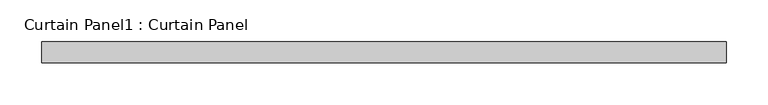
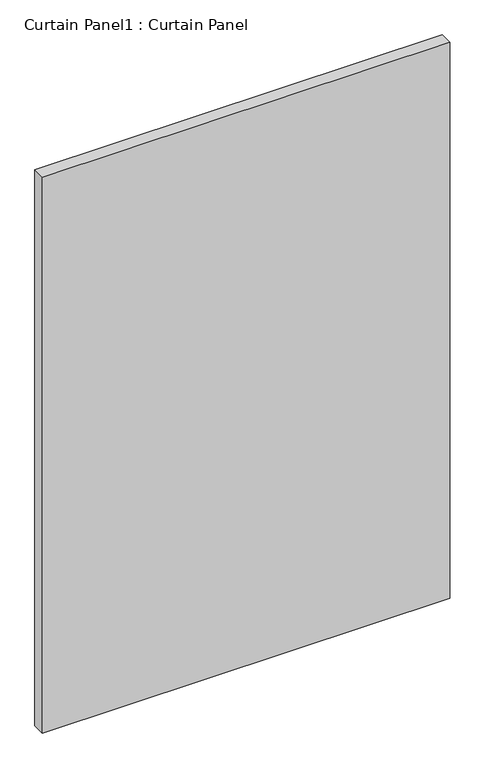
"""IFC4 building model written with IfcOpenShell, lengths in millimetres: plate geometry, Curtain Panel1 : Curtain Panel."""

import ifcopenshell
import ifcopenshell.guid

model = None  # the IFC model being written
_history = None  # IfcOwnerHistory: only IFC2X3 demands one
_inside = {}  # id of a spatial element -> (the spatial element, [elements in it])
_under = {}  # id of a project, library or spatial element -> (it, [spatial elements below it])
_declared = {}  # id of a project -> (the project, [libraries it declares])
_typed = {}  # id of a type object -> (the type object, [elements of that type])
_made_of = {}  # id of a material, layer set ... -> (it, [elements and type objects made of it])


def new_model(schema):
    """Start an empty IFC model of exactly this schema.

    Asked for "IFC4X3", IfcOpenShell would pick the latest addendum, in which some entities
    have other attributes; the version numbers below select the first issue.
    IFC2X3 requires an IfcOwnerHistory on every rooted entity: one is made here for all.
    """
    global model, _history
    if schema == "IFC4X3":
        model = ifcopenshell.file(schema_version=(4, 3, 0, 0))
    else:
        model = ifcopenshell.file(schema=schema)
    _inside.clear()
    _under.clear()
    _declared.clear()
    _typed.clear()
    _made_of.clear()
    _history = None
    if model.schema == "IFC2X3":
        org = make("IfcOrganization", Name="unknown")
        user = make(
            "IfcPersonAndOrganization",
            ThePerson=make("IfcPerson", FamilyName="unknown"),
            TheOrganization=org,
        )
        app = make(
            "IfcApplication",
            ApplicationDeveloper=org,
            Version="unknown",
            ApplicationFullName="unknown",
            ApplicationIdentifier="unknown",
        )
        _history = make(
            "IfcOwnerHistory",
            OwningUser=user,
            OwningApplication=app,
            ChangeAction="ADDED",
            CreationDate=0,
        )
    return model


def make(cls, **values):
    """One entity of the class cls with the attributes given. An attribute that is None is left unset."""
    return model.create_entity(
        cls, **{name: value for name, value in values.items() if value is not None}
    )


def rooted(cls, **values):
    """An entity with a GlobalId (a new one), such as an element, a storey or a relation."""
    return make(cls, GlobalId=ifcopenshell.guid.new(), OwnerHistory=_history, **values)


def si_unit(unit_type, name, prefix=None):
    """IfcSIUnit, for example si_unit("LENGTHUNIT", "METRE", prefix="MILLI")."""
    return make("IfcSIUnit", UnitType=unit_type, Prefix=prefix, Name=name)


def assignment(units):
    """IfcUnitAssignment: the units of a project."""
    return None if units is None else make("IfcUnitAssignment", Units=units)


def point(xyz):
    """IfcCartesianPoint."""
    return None if xyz is None else make("IfcCartesianPoint", Coordinates=xyz)


def direction(xyz):
    """IfcDirection."""
    return None if xyz is None else make("IfcDirection", DirectionRatios=xyz)


def frame(location, z_axis=None, x_axis=None):
    """IfcAxis2Placement3D, a coordinate frame: its origin and axes. An axis left out is left unset."""
    return make(
        "IfcAxis2Placement3D",
        Location=point(location),
        Axis=direction(z_axis),
        RefDirection=direction(x_axis),
    )


def origin():
    """The frame at (0, 0, 0) with its axes left unset."""
    return frame((0.0, 0.0, 0.0))


def place(relative_to, where):
    """IfcLocalPlacement: puts the frame where relative to a parent placement (None: the world)."""
    return make(
        "IfcLocalPlacement", PlacementRelTo=relative_to, RelativePlacement=where
    )


def context(
    kind, dimensions, precision=None, world=None, true_north=None, identifier=None
):
    """IfcGeometricRepresentationContext, for example the 3D "Model" context."""
    return make(
        "IfcGeometricRepresentationContext",
        ContextIdentifier=identifier,
        ContextType=kind,
        CoordinateSpaceDimension=dimensions,
        Precision=precision,
        WorldCoordinateSystem=world,
        TrueNorth=true_north,
    )


def project(units=None, contexts=None):
    """IfcProject with its units and contexts."""
    return rooted(
        "IfcProject",
        Name="project",
        RepresentationContexts=contexts,
        UnitsInContext=assignment(units),
    )


def spatial(cls, under=None, at=None, **own):
    """A site, building, storey or space (cls), placed at a placement, below another one or the project."""
    s = rooted(cls, ObjectPlacement=at, **own)
    if under is not None:
        _under.setdefault(under.id(), (under, []))[1].append(s)
    return s


def polyline(points):
    """IfcPolyline through the points."""
    return make("IfcPolyline", Points=[point(p) for p in points])


def outline(outer, holes=None, kind="AREA"):
    """IfcArbitraryClosedProfileDef: a profile drawn as a closed curve; with holes, ...WithVoids."""
    if holes is None:
        return make("IfcArbitraryClosedProfileDef", ProfileType=kind, OuterCurve=outer)
    return make(
        "IfcArbitraryProfileDefWithVoids",
        ProfileType=kind,
        OuterCurve=outer,
        InnerCurves=holes,
    )


def extrude(swept, where, along, depth):
    """IfcExtrudedAreaSolid: the profile swept, set in the frame where, extruded along a direction by depth."""
    return make(
        "IfcExtrudedAreaSolid",
        SweptArea=swept,
        Position=where,
        ExtrudedDirection=direction(along),
        Depth=depth,
    )


def shape(context_of_items, identifier, shape_type, items):
    """IfcShapeRepresentation: the items that make up one representation, for example the "Body"."""
    return make(
        "IfcShapeRepresentation",
        ContextOfItems=context_of_items,
        RepresentationIdentifier=identifier,
        RepresentationType=shape_type,
        Items=items,
    )


def source(mapping_origin, context_of_items, identifier, shape_type, items):
    """IfcRepresentationMap: a shape defined once, which mapped items show again and again."""
    return make(
        "IfcRepresentationMap",
        MappingOrigin=mapping_origin,
        MappedRepresentation=shape(context_of_items, identifier, shape_type, items),
    )


def transform(
    local_origin,
    x_axis=None,
    y_axis=None,
    z_axis=None,
    scale=None,
    scale2=None,
    scale3=None,
    uniform=True,
):
    """IfcCartesianTransformationOperator3D, or its non-uniform kind. x_axis, y_axis, z_axis: its Axis1, 2, 3."""
    if uniform:
        return make(
            "IfcCartesianTransformationOperator3D",
            Axis1=direction(x_axis),
            Axis2=direction(y_axis),
            LocalOrigin=point(local_origin),
            Scale=scale,
            Axis3=direction(z_axis),
        )
    return make(
        "IfcCartesianTransformationOperator3DnonUniform",
        Axis1=direction(x_axis),
        Axis2=direction(y_axis),
        LocalOrigin=point(local_origin),
        Scale=scale,
        Axis3=direction(z_axis),
        Scale2=scale2,
        Scale3=scale3,
    )


def mapped(mapping_source, mapping_target):
    """IfcMappedItem: shows the shape of a source again, moved by a transform."""
    return make(
        "IfcMappedItem", MappingSource=mapping_source, MappingTarget=mapping_target
    )


def made_of(thing, what):
    """Note that an element or type object is made of a material, layer set ...; save() writes the relation."""
    if what is not None:
        _made_of.setdefault(what.id(), (what, []))[1].append(thing)
    return thing


def element(
    cls,
    number,
    at=None,
    inside=None,
    cuts=None,
    type_object=None,
    material=None,
    context=None,
    identifier="Body",
    shape_type=None,
    held_by="IfcProductDefinitionShape",
    body=None,
    shapes=None,
    **own,
):
    """One element of the class cls, such as IfcWall. Its Tag is "e" and its number.

    at: its placement. inside: the storey or other place that contains it. cuts: it is an
    opening in that element (IfcRelVoidsElement). A single representation is given by context,
    identifier, shape_type and body (its items); several are given by shapes. held_by: the class
    of the entity that holds the representations. save() writes the other relations.
    """
    e = rooted(cls, Tag="e%d" % number, ObjectPlacement=at, **own)
    if body is not None:
        shapes = [shape(context, identifier, shape_type, body)]
    if shapes is not None:
        e.Representation = make(held_by, Representations=shapes)
    if inside is not None:
        _inside.setdefault(inside.id(), (inside, []))[1].append(e)
    if cuts is not None:
        rooted(
            "IfcRelVoidsElement", RelatingBuildingElement=cuts, RelatedOpeningElement=e
        )
    if type_object is not None:
        _typed.setdefault(type_object.id(), (type_object, []))[1].append(e)
    return made_of(e, material)


def aggregate(whole, parts):
    """IfcRelAggregates: a whole, such as a stair, and the parts it consists of."""
    return rooted("IfcRelAggregates", RelatingObject=whole, RelatedObjects=parts)


def save(model, path):
    """Write the relations noted so far, then the file.

    IfcRelAggregates (storeys below a building ...), IfcRelContainedInSpatialStructure (elements
    in a storey), IfcRelDefinesByType, IfcRelAssociatesMaterial and IfcRelDeclares: one each for
    every whole, place, type object, material and project.
    """
    for whole, parts in _under.values():
        aggregate(whole, parts)
    for where, things in _inside.values():
        rooted(
            "IfcRelContainedInSpatialStructure",
            RelatedElements=things,
            RelatingStructure=where,
        )
    for kind, things in _typed.values():
        rooted("IfcRelDefinesByType", RelatedObjects=things, RelatingType=kind)
    for what, things in _made_of.values():
        rooted("IfcRelAssociatesMaterial", RelatedObjects=things, RelatingMaterial=what)
    for by, libraries in _declared.values():
        rooted("IfcRelDeclares", RelatingContext=by, RelatedDefinitions=libraries)
    model.write(path)


def curtain_panel1_curtain_panel_86901101(model_context):
    return source(origin(), model_context, "Body", "SweptSolid", [
        extrude(outline(polyline([(-174053.1034869, 4757.6387985), (-174874.2378689, 4757.6387985), (-174874.2378689, 4783.0387985), (-174053.1034869, 4783.0387985), (-174053.1034869, 4757.6387985)])), frame((0.0, 0.0, 1236.6625), z_axis=(0.0, 0.0, 1.0), x_axis=(1.0, 0.0, 0.0)), (0.0, 0.0, 1.0), 1184.275),
    ])


if __name__ == "__main__":
    model = new_model("IFC4")
    model_context = context("Model", 3, world=origin())
    ifc_project = project(units=[si_unit("LENGTHUNIT", "METRE", prefix="MILLI")], contexts=[model_context])
    site = spatial("IfcSite", under=ifc_project)
    building = spatial("IfcBuilding", under=site)
    placement = place(None, origin())
    curtain_panel1_curtain_panel_shape = curtain_panel1_curtain_panel_86901101(model_context)
    element("IfcPlate", 1, ObjectType="Curtain Panel1 : Curtain Panel", at=placement, inside=building, context=model_context, shape_type="MappedRepresentation", body=[
        mapped(curtain_panel1_curtain_panel_shape, transform((0.0, 0.0, 0.0), x_axis=(1.0, 0.0, 0.0), y_axis=(0.0, 1.0, 0.0), z_axis=(0.0, 0.0, 1.0))),
    ])
    save(model, "model.ifc")
